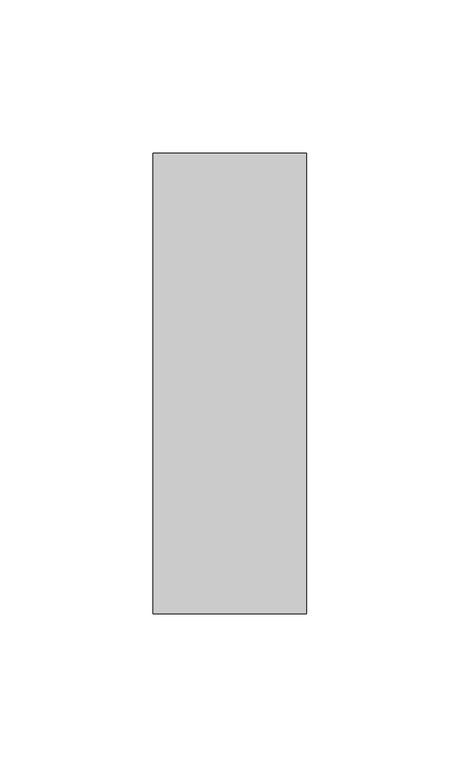
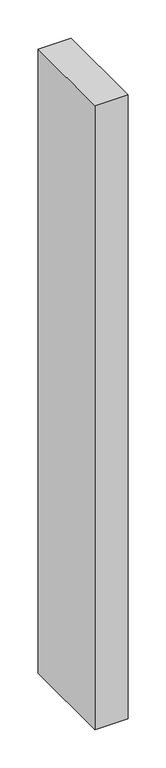
"""IFC4 building model written with IfcOpenShell, lengths in millimetres: member geometry."""

from ifc_helpers import new_model, si_unit, frame, origin, place, context, project, spatial, polyline, outline, extrude, source, transform, mapped, element, save


def member_bbc1c4ea(model_context):
    return source(origin(), model_context, "Body", "SweptSolid", [
        extrude(outline(polyline([(25.0, 75.0), (25.0, -75.0), (-25.0, -75.0), (-25.0, 75.0), (25.0, 75.0)])), frame((0.0, 0.0, -1000.0), z_axis=(0.0, 0.0, 1.0), x_axis=(1.0, 0.0, 0.0)), (0.0, 0.0, 1.0), 1000.0),
    ])


if __name__ == "__main__":
    model = new_model("IFC4")
    model_context = context("Model", 3, world=origin())
    ifc_project = project(units=[si_unit("LENGTHUNIT", "METRE", prefix="MILLI")], contexts=[model_context])
    site = spatial("IfcSite", under=ifc_project)
    building = spatial("IfcBuilding", under=site)
    placement = place(None, origin())
    member_shape = member_bbc1c4ea(model_context)
    element("IfcMember", 1, at=placement, inside=building, context=model_context, shape_type="MappedRepresentation", body=[
        mapped(member_shape, transform((0.0, 0.0, 0.0), x_axis=(1.0, 0.0, 0.0), y_axis=(0.0, 1.0, 0.0), z_axis=(0.0, 0.0, 1.0))),
    ])
    save(model, "model.ifc")
